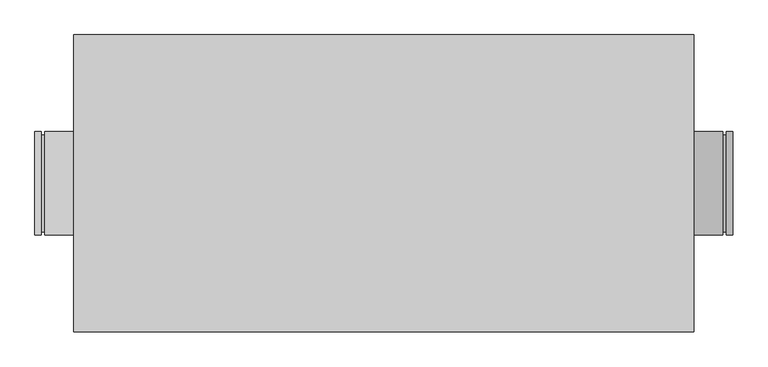
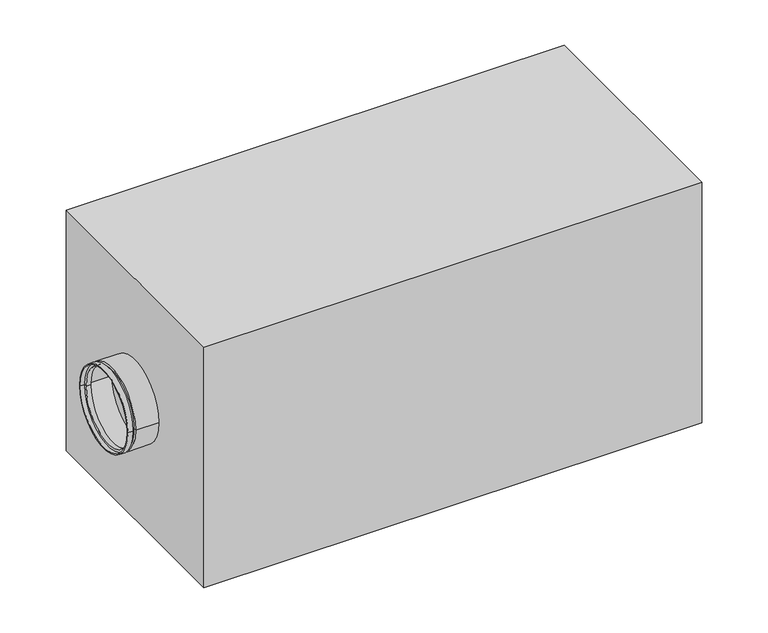
"""IFC4 building model written with IfcOpenShell, lengths in millimetres: proxy geometry."""

from ifc_helpers import new_model, si_unit, frame, origin, origin_with_axes, place, context, project, spatial, polyline, circle_curve, outline, extrude, source, transform, mapped, element, save
from ifc_brep_helpers import plane_surface, cylinder_surface, revolved_surface, advanced_brep


def mechanical_equipment_a1b1c531(model_context):
    return source(origin(), model_context, "Body", "SolidModel", [
        advanced_brep(
        [(-530.0, 80.0, 245.0), (-530.0, -80.0, 245.0), (-540.0, -80.0, 245.0), (-540.0, 80.0, 245.0), (-530.0, 75.0, 245.0), (-530.0, -75.0, 245.0), (-525.0, 75.0, 245.0), (-525.0, -75.0, 245.0), (-525.0, 80.0, 245.0), (-525.0, -80.0, 245.0), (-480.0, 80.0, 245.0), (-480.0, -80.0, 245.0), (-480.0, 78.0, 245.0), (-480.0, -78.0, 245.0), (-523.0, 78.0, 245.0), (-523.0, -78.0, 245.0), (-523.0, 73.0, 245.0), (-523.0, -73.0, 245.0), (-532.0, 73.0, 245.0), (-532.0, -73.0, 245.0), (-532.0, 78.0, 245.0), (-532.0, -78.0, 245.0), (-540.0, 78.0, 245.0), (-540.0, -78.0, 245.0)],
        [
            (0, 1, circle_curve(frame((-530.0, 0.0, 245.0), z_axis=(-1.0, 0.0, 0.0), x_axis=(0.0, -1.0000000000000009, 0.0)), 80.0)),
            (1, 2),
            (2, 3, circle_curve(frame((-540.0, 0.0, 245.0), z_axis=(1.0, 0.0, 0.0), x_axis=(0.0, -1.0000000000000009, 0.0)), 80.0)),
            (3, 0),
            (1, 0, circle_curve(frame((-530.0, 0.0, 245.0), z_axis=(-1.0, 0.0, 0.0), x_axis=(0.0, -1.0000000000000009, 0.0)), 80.0)),
            (3, 2, circle_curve(frame((-540.0, 0.0, 245.0), z_axis=(1.0, 0.0, 0.0), x_axis=(0.0, -1.0000000000000009, 0.0)), 80.0)),
            (4, 5, circle_curve(frame((-530.0, 0.0, 245.0), z_axis=(-1.0, 0.0, 0.0), x_axis=(0.0, -1.0000000000000009, 0.0)), 75.0)),
            (5, 1),
            (0, 4),
            (5, 4, circle_curve(frame((-530.0, 0.0, 245.0), z_axis=(-1.0, 0.0, 0.0), x_axis=(0.0, -1.0000000000000009, 0.0)), 75.0)),
            (6, 7, circle_curve(frame((-525.0, 0.0, 245.0), z_axis=(-1.0, 0.0, 0.0), x_axis=(0.0, -1.0000000000000009, 0.0)), 75.0)),
            (7, 5),
            (4, 6),
            (7, 6, circle_curve(frame((-525.0, 0.0, 245.0), z_axis=(-1.0, 0.0, 0.0), x_axis=(0.0, -1.0000000000000009, 0.0)), 75.0)),
            (8, 9, circle_curve(frame((-525.0, 0.0, 245.0), z_axis=(-1.0, 0.0, 0.0), x_axis=(0.0, -1.0000000000000009, 0.0)), 80.0)),
            (9, 7),
            (6, 8),
            (9, 8, circle_curve(frame((-525.0, 0.0, 245.0), z_axis=(-1.0, 0.0, 0.0), x_axis=(0.0, -1.0000000000000009, 0.0)), 80.0)),
            (10, 11, circle_curve(frame((-480.0, 0.0, 245.0), z_axis=(-1.0, 0.0, 0.0), x_axis=(0.0, -1.0000000000000009, 0.0)), 80.0)),
            (11, 9),
            (8, 10),
            (11, 10, circle_curve(frame((-480.0, 0.0, 245.0), z_axis=(-1.0, 0.0, 0.0), x_axis=(0.0, -1.0000000000000009, 0.0)), 80.0)),
            (12, 13, circle_curve(frame((-480.0, 0.0, 245.0), z_axis=(-1.0, 0.0, 0.0), x_axis=(0.0, -1.0000000000000009, 0.0)), 78.0)),
            (13, 11),
            (10, 12),
            (13, 12, circle_curve(frame((-480.0, 0.0, 245.0), z_axis=(-1.0, 0.0, 0.0), x_axis=(0.0, -1.0000000000000009, 0.0)), 78.0)),
            (14, 15, circle_curve(frame((-523.0, 0.0, 245.0), z_axis=(-1.0, 0.0, 0.0), x_axis=(0.0, -1.0000000000000009, 0.0)), 78.0)),
            (15, 13),
            (12, 14),
            (15, 14, circle_curve(frame((-523.0, 0.0, 245.0), z_axis=(-1.0, 0.0, 0.0), x_axis=(0.0, -1.0000000000000009, 0.0)), 78.0)),
            (16, 17, circle_curve(frame((-523.0, 0.0, 245.0), z_axis=(-1.0, 0.0, 0.0), x_axis=(0.0, -1.0000000000000009, 0.0)), 73.0)),
            (17, 15),
            (14, 16),
            (17, 16, circle_curve(frame((-523.0, 0.0, 245.0), z_axis=(-1.0, 0.0, 0.0), x_axis=(0.0, -1.0000000000000009, 0.0)), 73.0)),
            (18, 19, circle_curve(frame((-532.0, 0.0, 245.0), z_axis=(-1.0, 0.0, 0.0), x_axis=(0.0, -1.0000000000000009, 0.0)), 73.0)),
            (19, 17),
            (16, 18),
            (19, 18, circle_curve(frame((-532.0, 0.0, 245.0), z_axis=(-1.0, 0.0, 0.0), x_axis=(0.0, -1.0000000000000009, 0.0)), 73.0)),
            (20, 21, circle_curve(frame((-532.0, 0.0, 245.0), z_axis=(-1.0, 0.0, 0.0), x_axis=(0.0, -1.0000000000000009, 0.0)), 78.0)),
            (21, 19),
            (18, 20),
            (21, 20, circle_curve(frame((-532.0, 0.0, 245.0), z_axis=(-1.0, 0.0, 0.0), x_axis=(0.0, -1.0000000000000009, 0.0)), 78.0)),
            (22, 23, circle_curve(frame((-540.0, 0.0, 245.0), z_axis=(-1.0, 0.0, 0.0), x_axis=(0.0, -1.0000000000000009, 0.0)), 78.0)),
            (23, 21),
            (20, 22),
            (23, 22, circle_curve(frame((-540.0, 0.0, 245.0), z_axis=(-1.0, 0.0, 0.0), x_axis=(0.0, -1.0000000000000009, 0.0)), 78.0)),
            (2, 23),
            (22, 3),
        ],
        [
            cylinder_surface(frame((-2075.0440172, 0.0, 245.0), z_axis=(1.0000000000000004, 0.0, 0.0), x_axis=(0.0, -1.0000000000000009, 0.0)), 80.0),
            plane_surface(frame((-530.0, 0.0, 245.0), z_axis=(1.0, 0.0, 0.0), x_axis=(0.0, -1.0, 0.0))),
            cylinder_surface(frame((-2075.0440172, 0.0, 245.0), z_axis=(1.0000000000000004, 0.0, 0.0), x_axis=(0.0, -1.0000000000000009, 0.0)), 75.0),
            plane_surface(frame((-525.0, 0.0, 245.0), z_axis=(-1.0, 0.0, 0.0), x_axis=(0.0, -1.0, 0.0))),
            plane_surface(frame((-480.0, 0.0, 245.0), z_axis=(1.0, 0.0, 0.0), x_axis=(0.0, -1.0, 0.0))),
            revolved_surface(polyline([(-479.99999999999864, -78.00000000000007, 245.0), (-522.9999999999986, -78.00000000000007, 245.0)]), (-2075.0440172, 0.0, 245.0), (1.0000000000000004, 0.0, 0.0)),
            plane_surface(frame((-523.0, 0.0, 245.0), z_axis=(1.0, 0.0, 0.0), x_axis=(0.0, -1.0, 0.0))),
            revolved_surface(polyline([(-522.9999999999986, -73.00000000000007, 245.0), (-531.9999999999986, -73.00000000000007, 245.0)]), (-2075.0440172, 0.0, 245.0), (1.0000000000000004, 0.0, 0.0)),
            plane_surface(frame((-532.0, 0.0, 245.0), z_axis=(-1.0, 0.0, 0.0), x_axis=(0.0, -1.0, 0.0))),
            revolved_surface(polyline([(-531.9999999999986, -78.00000000000007, 245.0), (-539.9999999999986, -78.00000000000007, 245.0)]), (-2075.0440172, 0.0, 245.0), (1.0000000000000004, 0.0, 0.0)),
            plane_surface(frame((-540.0, 0.0, 245.0), z_axis=(-1.0, 0.0, 0.0), x_axis=(0.0, -1.0, 0.0))),
        ],
        [
            (0, [[1, 2, 3, 4]]),
            (0, [[5, -4, 6, -2]]),
            (1, [[7, 8, -1, 9]]),
            (1, [[10, -9, -5, -8]]),
            (2, [[11, 12, -7, 13]]),
            (2, [[14, -13, -10, -12]]),
            (3, [[15, 16, -11, 17]]),
            (3, [[18, -17, -14, -16]]),
            (0, [[19, 20, -15, 21]]),
            (0, [[22, -21, -18, -20]]),
            (4, [[23, 24, -19, 25]]),
            (4, [[26, -25, -22, -24]]),
            (5, [[27, 28, -23, 29]]),
            (5, [[30, -29, -26, -28]]),
            (6, [[31, 32, -27, 33]]),
            (6, [[34, -33, -30, -32]]),
            (7, [[35, 36, -31, 37]]),
            (7, [[38, -37, -34, -36]]),
            (8, [[39, 40, -35, 41]]),
            (8, [[42, -41, -38, -40]]),
            (9, [[43, 44, -39, 45]]),
            (9, [[46, -45, -42, -44]]),
            (10, [[-3, 47, -43, 48]]),
            (10, [[-6, -48, -46, -47]]),
        ],
    ),
        advanced_brep(
        [(530.0, -80.0, 245.0), (530.0, 80.0, 245.0), (540.0, 80.0, 245.0), (540.0, -80.0, 245.0), (530.0, -75.0, 245.0), (530.0, 75.0, 245.0), (525.0, -75.0, 245.0), (525.0, 75.0, 245.0), (525.0, -80.0, 245.0), (525.0, 80.0, 245.0), (480.0, -80.0, 245.0), (480.0, 80.0, 245.0), (480.0, -78.0, 245.0), (480.0, 78.0, 245.0), (523.0, -78.0, 245.0), (523.0, 78.0, 245.0), (523.0, -73.0, 245.0), (523.0, 73.0, 245.0), (532.0, -73.0, 245.0), (532.0, 73.0, 245.0), (532.0, -78.0, 245.0), (532.0, 78.0, 245.0), (540.0, -78.0, 245.0), (540.0, 78.0, 245.0)],
        [
            (0, 1, circle_curve(frame((530.0, 0.0, 245.0), z_axis=(1.0, 0.0, 0.0), x_axis=(0.0, 1.0, 0.0)), 80.0)),
            (1, 2),
            (2, 3, circle_curve(frame((540.0, 0.0, 245.0), z_axis=(-1.0, 0.0, 0.0), x_axis=(0.0, 1.0, 0.0)), 80.0)),
            (3, 0),
            (1, 0, circle_curve(frame((530.0, 0.0, 245.0), z_axis=(1.0, 0.0, 0.0), x_axis=(0.0, 1.0, 0.0)), 80.0)),
            (3, 2, circle_curve(frame((540.0, 0.0, 245.0), z_axis=(-1.0, 0.0, 0.0), x_axis=(0.0, 1.0, 0.0)), 80.0)),
            (4, 5, circle_curve(frame((530.0, 0.0, 245.0), z_axis=(1.0, 0.0, 0.0), x_axis=(0.0, 1.0, 0.0)), 75.0)),
            (5, 1),
            (0, 4),
            (5, 4, circle_curve(frame((530.0, 0.0, 245.0), z_axis=(1.0, 0.0, 0.0), x_axis=(0.0, 1.0, 0.0)), 75.0)),
            (6, 7, circle_curve(frame((525.0, 0.0, 245.0), z_axis=(1.0, 0.0, 0.0), x_axis=(0.0, 1.0, 0.0)), 75.0)),
            (7, 5),
            (4, 6),
            (7, 6, circle_curve(frame((525.0, 0.0, 245.0), z_axis=(1.0, 0.0, 0.0), x_axis=(0.0, 1.0, 0.0)), 75.0)),
            (8, 9, circle_curve(frame((525.0, 0.0, 245.0), z_axis=(1.0, 0.0, 0.0), x_axis=(0.0, 1.0, 0.0)), 80.0)),
            (9, 7),
            (6, 8),
            (9, 8, circle_curve(frame((525.0, 0.0, 245.0), z_axis=(1.0, 0.0, 0.0), x_axis=(0.0, 1.0, 0.0)), 80.0)),
            (10, 11, circle_curve(frame((480.0, 0.0, 245.0), z_axis=(1.0, 0.0, 0.0), x_axis=(0.0, 1.0, 0.0)), 80.0)),
            (11, 9),
            (8, 10),
            (11, 10, circle_curve(frame((480.0, 0.0, 245.0), z_axis=(1.0, 0.0, 0.0), x_axis=(0.0, 1.0, 0.0)), 80.0)),
            (12, 13, circle_curve(frame((480.0, 0.0, 245.0), z_axis=(1.0, 0.0, 0.0), x_axis=(0.0, 1.0, 0.0)), 78.0)),
            (13, 11),
            (10, 12),
            (13, 12, circle_curve(frame((480.0, 0.0, 245.0), z_axis=(1.0, 0.0, 0.0), x_axis=(0.0, 1.0, 0.0)), 78.0)),
            (14, 15, circle_curve(frame((523.0, 0.0, 245.0), z_axis=(1.0, 0.0, 0.0), x_axis=(0.0, 1.0, 0.0)), 78.0)),
            (15, 13),
            (12, 14),
            (15, 14, circle_curve(frame((523.0, 0.0, 245.0), z_axis=(1.0, 0.0, 0.0), x_axis=(0.0, 1.0, 0.0)), 78.0)),
            (16, 17, circle_curve(frame((523.0, 0.0, 245.0), z_axis=(1.0, 0.0, 0.0), x_axis=(0.0, 1.0, 0.0)), 73.0)),
            (17, 15),
            (14, 16),
            (17, 16, circle_curve(frame((523.0, 0.0, 245.0), z_axis=(1.0, 0.0, 0.0), x_axis=(0.0, 1.0, 0.0)), 73.0)),
            (18, 19, circle_curve(frame((532.0, 0.0, 245.0), z_axis=(1.0, 0.0, 0.0), x_axis=(0.0, 1.0, 0.0)), 73.0)),
            (19, 17),
            (16, 18),
            (19, 18, circle_curve(frame((532.0, 0.0, 245.0), z_axis=(1.0, 0.0, 0.0), x_axis=(0.0, 1.0, 0.0)), 73.0)),
            (20, 21, circle_curve(frame((532.0, 0.0, 245.0), z_axis=(1.0, 0.0, 0.0), x_axis=(0.0, 1.0, 0.0)), 78.0)),
            (21, 19),
            (18, 20),
            (21, 20, circle_curve(frame((532.0, 0.0, 245.0), z_axis=(1.0, 0.0, 0.0), x_axis=(0.0, 1.0, 0.0)), 78.0)),
            (22, 23, circle_curve(frame((540.0, 0.0, 245.0), z_axis=(1.0, 0.0, 0.0), x_axis=(0.0, 1.0, 0.0)), 78.0)),
            (23, 21),
            (20, 22),
            (23, 22, circle_curve(frame((540.0, 0.0, 245.0), z_axis=(1.0, 0.0, 0.0), x_axis=(0.0, 1.0, 0.0)), 78.0)),
            (2, 23),
            (22, 3),
        ],
        [
            cylinder_surface(frame((2075.0440172, 0.0, 245.0), z_axis=(-1.0, 0.0, 0.0), x_axis=(0.0, 1.0, 0.0)), 80.0),
            plane_surface(frame((530.0, 0.0, 245.0), z_axis=(-1.0, 0.0, 0.0), x_axis=(0.0, 1.0, 0.0))),
            cylinder_surface(frame((2075.0440172, 0.0, 245.0), z_axis=(-1.0, 0.0, 0.0), x_axis=(0.0, 1.0, 0.0)), 75.0),
            plane_surface(frame((525.0, 0.0, 245.0), z_axis=(1.0, 0.0, 0.0), x_axis=(0.0, 1.0, 0.0))),
            plane_surface(frame((480.0, 0.0, 245.0), z_axis=(-1.0, 0.0, 0.0), x_axis=(0.0, 1.0, 0.0))),
            revolved_surface(polyline([(480.0, 78.0, 245.0), (523.0, 78.0, 245.0)]), (2075.0440172, 0.0, 245.0), (-1.0, 0.0, 0.0)),
            plane_surface(frame((523.0, 0.0, 245.0), z_axis=(-1.0, 0.0, 0.0), x_axis=(0.0, 1.0, 0.0))),
            revolved_surface(polyline([(523.0, 73.0, 245.0), (532.0, 73.0, 245.0)]), (2075.0440172, 0.0, 245.0), (-1.0, 0.0, 0.0)),
            plane_surface(frame((532.0, 0.0, 245.0), z_axis=(1.0, 0.0, 0.0), x_axis=(0.0, 1.0, 0.0))),
            revolved_surface(polyline([(532.0, 78.0, 245.0), (540.0, 78.0, 245.0)]), (2075.0440172, 0.0, 245.0), (-1.0, 0.0, 0.0)),
            plane_surface(frame((540.0, 0.0, 245.0), z_axis=(1.0, 0.0, 0.0), x_axis=(0.0, 1.0, 0.0))),
        ],
        [
            (0, [[1, 2, 3, 4]]),
            (0, [[5, -4, 6, -2]]),
            (1, [[7, 8, -1, 9]]),
            (1, [[10, -9, -5, -8]]),
            (2, [[11, 12, -7, 13]]),
            (2, [[14, -13, -10, -12]]),
            (3, [[15, 16, -11, 17]]),
            (3, [[18, -17, -14, -16]]),
            (0, [[19, 20, -15, 21]]),
            (0, [[22, -21, -18, -20]]),
            (4, [[23, 24, -19, 25]]),
            (4, [[26, -25, -22, -24]]),
            (5, [[27, 28, -23, 29]]),
            (5, [[30, -29, -26, -28]]),
            (6, [[31, 32, -27, 33]]),
            (6, [[34, -33, -30, -32]]),
            (7, [[35, 36, -31, 37]]),
            (7, [[38, -37, -34, -36]]),
            (8, [[39, 40, -35, 41]]),
            (8, [[42, -41, -38, -40]]),
            (9, [[43, 44, -39, 45]]),
            (9, [[46, -45, -42, -44]]),
            (10, [[-3, 47, -43, 48]]),
            (10, [[-6, -48, -46, -47]]),
        ],
    ),
        extrude(outline(polyline([(-480.0, -230.0), (-480.0, 230.0), (480.0, 230.0), (480.0, -230.0), (-480.0, -230.0)])), origin_with_axes(), (0.0, 0.0, 1.0), 490.0),
    ])


if __name__ == "__main__":
    model = new_model("IFC4")
    model_context = context("Model", 3, world=origin())
    ifc_project = project(units=[si_unit("LENGTHUNIT", "METRE", prefix="MILLI")], contexts=[model_context])
    site = spatial("IfcSite", under=ifc_project)
    building = spatial("IfcBuilding", under=site)
    placement = place(None, origin())
    mechanical_equipment_shape = mechanical_equipment_a1b1c531(model_context)
    element("IfcBuildingElementProxy", 1, Name="Mechanical Equipment", at=placement, inside=building, context=model_context, shape_type="MappedRepresentation", body=[
        mapped(mechanical_equipment_shape, transform((0.0, 0.0, 0.0), x_axis=(1.0, 0.0, 0.0), y_axis=(0.0, 1.0, 0.0), z_axis=(0.0, 0.0, 1.0))),
    ])
    save(model, "model.ifc")
